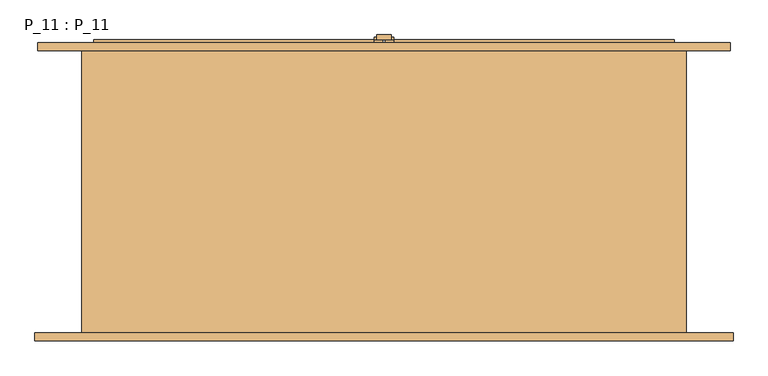
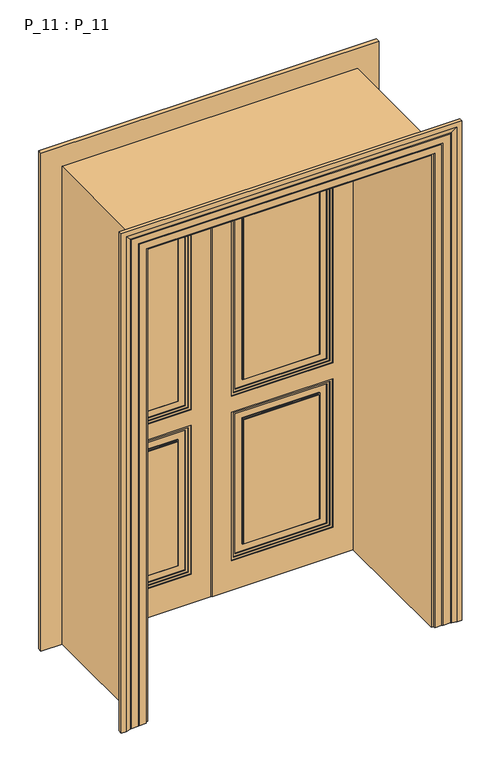
"""IFC4 building model written with IfcOpenShell, lengths in millimetres: door geometry, P_11 : P_11."""

from ifc_helpers import new_model, si_unit, frame, origin, origin_with_axes, place, context, project, spatial, polyline, outline, extrude, faceted_brep, source, transform, mapped, element, save


def p_11_p_11_feb7380e(model_context):
    return source(origin(), model_context, "Body", "SolidModel", [
        extrude(outline(polyline([(15.0, 312.0), (-15.0, 312.0), (-15.0, 322.0), (15.0, 322.0), (15.0, 312.0)])), origin_with_axes(), (0.0, 0.0, 1.0), 2100.0),
        extrude(outline(polyline([(20.0, 312.0), (15.0, 312.0), (15.0, 317.0), (20.0, 317.0), (20.0, 312.0)])), origin_with_axes(), (0.0, 0.0, 1.0), 2100.0),
        extrude(outline(polyline([(-15.0, 312.0), (-20.0, 312.0), (-20.0, 317.0), (-15.0, 317.0), (-15.0, 312.0)])), origin_with_axes(), (0.0, 0.0, 1.0), 2100.0),
        extrude(outline(polyline([(-455.0, 290.0), (-140.0, 290.0), (-140.0, 282.0), (-455.0, 282.0), (-455.0, 290.0)])), frame((0.0, 0.0, 185.0), z_axis=(0.0, 0.0, 1.0), x_axis=(1.0, 0.0, 0.0)), (0.0, 0.0, 1.0), 550.0),
        extrude(outline(polyline([(-455.0, 290.0), (-140.0, 290.0), (-140.0, 282.0), (-455.0, 282.0), (-455.0, 290.0)])), frame((0.0, 0.0, 915.0), z_axis=(0.0, 0.0, 1.0), x_axis=(1.0, 0.0, 0.0)), (0.0, 0.0, 1.0), 1040.0),
        extrude(outline(polyline([(780.0, -95.0), (780.0, -500.0), (140.0, -500.0), (140.0, -95.0), (780.0, -95.0)]), holes=[polyline([(770.0, -105.0), (150.0, -105.0), (150.0, -490.0), (770.0, -490.0), (770.0, -105.0)])]), frame((0.0, 286.0, 0.0), z_axis=(0.0, 1.0, 0.0), x_axis=(0.0, 0.0, 1.0)), (0.0, 0.0, 1.0), 4.0),
        extrude(outline(polyline([(740.0, -135.0), (740.0, -460.0), (180.0, -460.0), (180.0, -135.0), (740.0, -135.0)]), holes=[polyline([(735.0, -140.0), (185.0, -140.0), (185.0, -455.0), (735.0, -455.0), (735.0, -140.0)])]), frame((0.0, 286.0, 0.0), z_axis=(0.0, 1.0, 0.0), x_axis=(0.0, 0.0, 1.0)), (0.0, 0.0, 1.0), 4.0),
        extrude(outline(polyline([(910.0, -460.0), (910.0, -135.0), (1960.0, -135.0), (1960.0, -460.0), (910.0, -460.0)]), holes=[polyline([(1955.0, -140.0), (915.0, -140.0), (915.0, -455.0), (1955.0, -455.0), (1955.0, -140.0)])]), frame((0.0, 286.0, 0.0), z_axis=(0.0, 1.0, 0.0), x_axis=(0.0, 0.0, 1.0)), (0.0, 0.0, 1.0), 4.0),
        extrude(outline(polyline([(2000.0, -95.0), (2000.0, -500.0), (870.0, -500.0), (870.0, -95.0), (2000.0, -95.0)]), holes=[polyline([(1990.0, -105.0), (880.0, -105.0), (880.0, -490.0), (1990.0, -490.0), (1990.0, -105.0)])]), frame((0.0, 286.0, 0.0), z_axis=(0.0, 1.0, 0.0), x_axis=(0.0, 0.0, 1.0)), (0.0, 0.0, 1.0), 4.0),
        extrude(outline(polyline([(2010.0, -85.0), (2010.0, -510.0), (860.0, -510.0), (860.0, -85.0), (2010.0, -85.0)]), holes=[polyline([(2000.0, -95.0), (870.0, -95.0), (870.0, -500.0), (2000.0, -500.0), (2000.0, -95.0)])]), frame((0.0, 282.0, 0.0), z_axis=(0.0, 1.0, 0.0), x_axis=(0.0, 0.0, 1.0)), (0.0, 0.0, 1.0), 8.0),
        extrude(outline(polyline([(130.0, -510.0), (130.0, -85.0), (790.0, -85.0), (790.0, -510.0), (130.0, -510.0)]), holes=[polyline([(780.0, -95.0), (140.0, -95.0), (140.0, -500.0), (780.0, -500.0), (780.0, -95.0)])]), frame((0.0, 282.0, 0.0), z_axis=(0.0, 1.0, 0.0), x_axis=(0.0, 0.0, 1.0)), (0.0, 0.0, 1.0), 8.0),
        extrude(outline(polyline([(0.0, -595.0), (0.0, -2.5), (2095.0, -2.5), (2095.0, -595.0), (0.0, -595.0)]), holes=[polyline([(860.0, -85.0), (860.0, -510.0), (2010.0, -510.0), (2010.0, -85.0), (860.0, -85.0)]), polyline([(130.0, -85.0), (130.0, -510.0), (790.0, -510.0), (790.0, -85.0), (130.0, -85.0)])]), frame((0.0, 278.0, 0.0), z_axis=(0.0, 1.0, 0.0), x_axis=(0.0, 0.0, 1.0)), (0.0, 0.0, 1.0), 12.0),
        extrude(outline(polyline([(140.0, 290.0), (455.0, 290.0), (455.0, 282.0), (140.0, 282.0), (140.0, 290.0)])), frame((0.0, 0.0, 185.0), z_axis=(0.0, 0.0, 1.0), x_axis=(1.0, 0.0, 0.0)), (0.0, 0.0, 1.0), 550.0),
        extrude(outline(polyline([(140.0, 290.0), (455.0, 290.0), (455.0, 282.0), (140.0, 282.0), (140.0, 290.0)])), frame((0.0, 0.0, 915.0), z_axis=(0.0, 0.0, 1.0), x_axis=(1.0, 0.0, 0.0)), (0.0, 0.0, 1.0), 1040.0),
        extrude(outline(polyline([(2000.0, 95.0), (870.0, 95.0), (870.0, 500.0), (2000.0, 500.0), (2000.0, 95.0)]), holes=[polyline([(1990.0, 105.0), (1990.0, 490.0), (880.0, 490.0), (880.0, 105.0), (1990.0, 105.0)])]), frame((0.0, 286.0, 0.0), z_axis=(0.0, 1.0, 0.0), x_axis=(0.0, 0.0, 1.0)), (0.0, 0.0, 1.0), 4.0),
        extrude(outline(polyline([(1960.0, 135.0), (910.0, 135.0), (910.0, 460.0), (1960.0, 460.0), (1960.0, 135.0)]), holes=[polyline([(1955.0, 140.0), (1955.0, 455.0), (915.0, 455.0), (915.0, 140.0), (1955.0, 140.0)])]), frame((0.0, 286.0, 0.0), z_axis=(0.0, 1.0, 0.0), x_axis=(0.0, 0.0, 1.0)), (0.0, 0.0, 1.0), 4.0),
        extrude(outline(polyline([(780.0, 500.0), (780.0, 95.0), (140.0, 95.0), (140.0, 500.0), (780.0, 500.0)]), holes=[polyline([(770.0, 490.0), (150.0, 490.0), (150.0, 105.0), (770.0, 105.0), (770.0, 490.0)])]), frame((0.0, 286.0, 0.0), z_axis=(0.0, 1.0, 0.0), x_axis=(0.0, 0.0, 1.0)), (0.0, 0.0, 1.0), 4.0),
        extrude(outline(polyline([(740.0, 460.0), (740.0, 135.0), (180.0, 135.0), (180.0, 460.0), (740.0, 460.0)]), holes=[polyline([(735.0, 455.0), (185.0, 455.0), (185.0, 140.0), (735.0, 140.0), (735.0, 455.0)])]), frame((0.0, 286.0, 0.0), z_axis=(0.0, 1.0, 0.0), x_axis=(0.0, 0.0, 1.0)), (0.0, 0.0, 1.0), 4.0),
        extrude(outline(polyline([(130.0, 510.0), (790.0, 510.0), (790.0, 85.0), (130.0, 85.0), (130.0, 510.0)]), holes=[polyline([(780.0, 500.0), (140.0, 500.0), (140.0, 95.0), (780.0, 95.0), (780.0, 500.0)])]), frame((0.0, 282.0, 0.0), z_axis=(0.0, 1.0, 0.0), x_axis=(0.0, 0.0, 1.0)), (0.0, 0.0, 1.0), 8.0),
        extrude(outline(polyline([(2010.0, 85.0), (860.0, 85.0), (860.0, 510.0), (2010.0, 510.0), (2010.0, 85.0)]), holes=[polyline([(2000.0, 95.0), (2000.0, 500.0), (870.0, 500.0), (870.0, 95.0), (2000.0, 95.0)])]), frame((0.0, 282.0, 0.0), z_axis=(0.0, 1.0, 0.0), x_axis=(0.0, 0.0, 1.0)), (0.0, 0.0, 1.0), 8.0),
        extrude(outline(polyline([(0.0, 595.0), (2095.0, 595.0), (2095.0, 2.5), (0.0, 2.5), (0.0, 595.0)]), holes=[polyline([(130.0, 85.0), (790.0, 85.0), (790.0, 510.0), (130.0, 510.0), (130.0, 85.0)]), polyline([(860.0, 85.0), (2010.0, 85.0), (2010.0, 510.0), (860.0, 510.0), (860.0, 85.0)])]), frame((0.0, 278.0, 0.0), z_axis=(0.0, 1.0, 0.0), x_axis=(0.0, 0.0, 1.0)), (0.0, 0.0, 1.0), 12.0),
        extrude(outline(polyline([(-140.0, 300.0), (-455.0, 300.0), (-455.0, 308.0), (-140.0, 308.0), (-140.0, 300.0)])), frame((0.0, 0.0, 185.0), z_axis=(0.0, 0.0, 1.0), x_axis=(1.0, 0.0, 0.0)), (0.0, 0.0, 1.0), 550.0),
        extrude(outline(polyline([(-140.0, 300.0), (-455.0, 300.0), (-455.0, 308.0), (-140.0, 308.0), (-140.0, 300.0)])), frame((0.0, 0.0, 915.0), z_axis=(0.0, 0.0, 1.0), x_axis=(1.0, 0.0, 0.0)), (0.0, 0.0, 1.0), 1040.0),
        extrude(outline(polyline([(2000.0, -95.0), (2000.0, -500.0), (870.0, -500.0), (870.0, -95.0), (2000.0, -95.0)]), holes=[polyline([(1990.0, -105.0), (880.0, -105.0), (880.0, -490.0), (1990.0, -490.0), (1990.0, -105.0)])]), frame((0.0, 300.0, 0.0), z_axis=(0.0, 1.0, 0.0), x_axis=(0.0, 0.0, 1.0)), (0.0, 0.0, 1.0), 4.0),
        extrude(outline(polyline([(780.0, -95.0), (780.0, -500.0), (140.0, -500.0), (140.0, -95.0), (780.0, -95.0)]), holes=[polyline([(770.0, -105.0), (150.0, -105.0), (150.0, -490.0), (770.0, -490.0), (770.0, -105.0)])]), frame((0.0, 300.0, 0.0), z_axis=(0.0, 1.0, 0.0), x_axis=(0.0, 0.0, 1.0)), (0.0, 0.0, 1.0), 4.0),
        extrude(outline(polyline([(740.0, -135.0), (740.0, -460.0), (180.0, -460.0), (180.0, -135.0), (740.0, -135.0)]), holes=[polyline([(735.0, -140.0), (185.0, -140.0), (185.0, -455.0), (735.0, -455.0), (735.0, -140.0)])]), frame((0.0, 300.0, 0.0), z_axis=(0.0, 1.0, 0.0), x_axis=(0.0, 0.0, 1.0)), (0.0, 0.0, 1.0), 4.0),
        extrude(outline(polyline([(1960.0, -135.0), (1960.0, -460.0), (910.0, -460.0), (910.0, -135.0), (1960.0, -135.0)]), holes=[polyline([(1955.0, -140.0), (915.0, -140.0), (915.0, -455.0), (1955.0, -455.0), (1955.0, -140.0)])]), frame((0.0, 300.0, 0.0), z_axis=(0.0, 1.0, 0.0), x_axis=(0.0, 0.0, 1.0)), (0.0, 0.0, 1.0), 4.0),
        extrude(outline(polyline([(860.0, -85.0), (2010.0, -85.0), (2010.0, -510.0), (860.0, -510.0), (860.0, -85.0)]), holes=[polyline([(2000.0, -95.0), (870.0, -95.0), (870.0, -500.0), (2000.0, -500.0), (2000.0, -95.0)])]), frame((0.0, 300.0, 0.0), z_axis=(0.0, 1.0, 0.0), x_axis=(0.0, 0.0, 1.0)), (0.0, 0.0, 1.0), 8.0),
        extrude(outline(polyline([(130.0, -510.0), (130.0, -85.0), (790.0, -85.0), (790.0, -510.0), (130.0, -510.0)]), holes=[polyline([(780.0, -95.0), (140.0, -95.0), (140.0, -500.0), (780.0, -500.0), (780.0, -95.0)])]), frame((0.0, 300.0, 0.0), z_axis=(0.0, 1.0, 0.0), x_axis=(0.0, 0.0, 1.0)), (0.0, 0.0, 1.0), 8.0),
        extrude(outline(polyline([(0.0, -595.0), (0.0, -2.5), (2095.0, -2.5), (2095.0, -595.0), (0.0, -595.0)]), holes=[polyline([(860.0, -85.0), (860.0, -510.0), (2010.0, -510.0), (2010.0, -85.0), (860.0, -85.0)]), polyline([(130.0, -85.0), (130.0, -510.0), (790.0, -510.0), (790.0, -85.0), (130.0, -85.0)])]), frame((0.0, 300.0, 0.0), z_axis=(0.0, 1.0, 0.0), x_axis=(0.0, 0.0, 1.0)), (0.0, 0.0, 1.0), 12.0),
        extrude(outline(polyline([(0.0, -600.0), (0.0, -595.0), (2095.0, -595.0), (2095.0, -2.5), (2100.0, -2.5), (2100.0, -600.0), (0.0, -600.0)])), frame((0.0, 300.0, 0.0), z_axis=(0.0, 1.0, 0.0), x_axis=(0.0, 0.0, 1.0)), (0.0, 0.0, 1.0), 5.0),
        extrude(outline(polyline([(-2.5, 290.0), (-600.0, 290.0), (-600.0, 300.0), (-2.5, 300.0), (-2.5, 290.0)])), origin_with_axes(), (0.0, 0.0, 1.0), 2100.0),
        extrude(outline(polyline([(600.0, 290.0), (2.5, 290.0), (2.5, 300.0), (600.0, 300.0), (600.0, 290.0)])), origin_with_axes(), (0.0, 0.0, 1.0), 2100.0),
        extrude(outline(polyline([(455.0, 300.0), (140.0, 300.0), (140.0, 308.0), (455.0, 308.0), (455.0, 300.0)])), frame((0.0, 0.0, 185.0), z_axis=(0.0, 0.0, 1.0), x_axis=(1.0, 0.0, 0.0)), (0.0, 0.0, 1.0), 550.0),
        extrude(outline(polyline([(455.0, 300.0), (140.0, 300.0), (140.0, 308.0), (455.0, 308.0), (455.0, 300.0)])), frame((0.0, 0.0, 915.0), z_axis=(0.0, 0.0, 1.0), x_axis=(1.0, 0.0, 0.0)), (0.0, 0.0, 1.0), 1040.0),
        extrude(outline(polyline([(780.0, 95.0), (140.0, 95.0), (140.0, 500.0), (780.0, 500.0), (780.0, 95.0)]), holes=[polyline([(770.0, 105.0), (770.0, 490.0), (150.0, 490.0), (150.0, 105.0), (770.0, 105.0)])]), frame((0.0, 300.0, 0.0), z_axis=(0.0, 1.0, 0.0), x_axis=(0.0, 0.0, 1.0)), (0.0, 0.0, 1.0), 4.0),
        extrude(outline(polyline([(740.0, 135.0), (180.0, 135.0), (180.0, 460.0), (740.0, 460.0), (740.0, 135.0)]), holes=[polyline([(735.0, 140.0), (735.0, 455.0), (185.0, 455.0), (185.0, 140.0), (735.0, 140.0)])]), frame((0.0, 300.0, 0.0), z_axis=(0.0, 1.0, 0.0), x_axis=(0.0, 0.0, 1.0)), (0.0, 0.0, 1.0), 4.0),
        extrude(outline(polyline([(910.0, 460.0), (1960.0, 460.0), (1960.0, 135.0), (910.0, 135.0), (910.0, 460.0)]), holes=[polyline([(1955.0, 140.0), (1955.0, 455.0), (915.0, 455.0), (915.0, 140.0), (1955.0, 140.0)])]), frame((0.0, 300.0, 0.0), z_axis=(0.0, 1.0, 0.0), x_axis=(0.0, 0.0, 1.0)), (0.0, 0.0, 1.0), 4.0),
        extrude(outline(polyline([(2000.0, 95.0), (870.0, 95.0), (870.0, 500.0), (2000.0, 500.0), (2000.0, 95.0)]), holes=[polyline([(1990.0, 105.0), (1990.0, 490.0), (880.0, 490.0), (880.0, 105.0), (1990.0, 105.0)])]), frame((0.0, 300.0, 0.0), z_axis=(0.0, 1.0, 0.0), x_axis=(0.0, 0.0, 1.0)), (0.0, 0.0, 1.0), 4.0),
        extrude(outline(polyline([(2010.0, 85.0), (860.0, 85.0), (860.0, 510.0), (2010.0, 510.0), (2010.0, 85.0)]), holes=[polyline([(2000.0, 95.0), (2000.0, 500.0), (870.0, 500.0), (870.0, 95.0), (2000.0, 95.0)])]), frame((0.0, 300.0, 0.0), z_axis=(0.0, 1.0, 0.0), x_axis=(0.0, 0.0, 1.0)), (0.0, 0.0, 1.0), 8.0),
        extrude(outline(polyline([(130.0, 510.0), (790.0, 510.0), (790.0, 85.0), (130.0, 85.0), (130.0, 510.0)]), holes=[polyline([(780.0, 95.0), (780.0, 500.0), (140.0, 500.0), (140.0, 95.0), (780.0, 95.0)])]), frame((0.0, 300.0, 0.0), z_axis=(0.0, 1.0, 0.0), x_axis=(0.0, 0.0, 1.0)), (0.0, 0.0, 1.0), 8.0),
        faceted_brep([(600.0, 300.0, 0.0), (600.0, 300.0, 2100.0), (2.5, 300.0, 2100.0), (2.5, 300.0, 0.0), (85.0, 300.0, 860.0), (85.0, 300.0, 2010.0), (510.0, 300.0, 2010.0), (510.0, 300.0, 860.0), (85.0, 300.0, 130.0), (85.0, 300.0, 790.0), (510.0, 300.0, 790.0), (510.0, 300.0, 130.0), (85.0, 312.0, 860.0), (85.0, 312.0, 2010.0), (510.0, 312.0, 2010.0), (510.0, 312.0, 860.0), (85.0, 312.0, 130.0), (85.0, 312.0, 790.0), (510.0, 312.0, 790.0), (510.0, 312.0, 130.0), (600.0, 305.0, 0.0), (600.0, 305.0, 2100.0), (2.5, 305.0, 2100.0), (2.5, 305.0, 2095.0), (2.5, 312.0, 2095.0), (2.5, 312.0, 0.0), (595.0, 312.0, 0.0), (595.0, 305.0, 0.0), (595.0, 312.0, 2095.0), (595.0, 305.0, 2095.0)], [[[0, 1, 2, 3], [4, 5, 6, 7], [8, 9, 10, 11]], [[5, 4, 12, 13]], [[7, 6, 14, 15]], [[4, 7, 15, 12]], [[9, 8, 16, 17]], [[10, 9, 17, 18]], [[11, 10, 18, 19]], [[8, 11, 19, 16]], [[0, 20, 21, 1]], [[3, 2, 22, 23, 24, 25]], [[0, 3, 25, 26, 27, 20]], [[26, 25, 24, 28], [12, 15, 14, 13], [16, 19, 18, 17]], [[26, 28, 29, 27]], [[20, 27, 29, 23, 22, 21]], [[1, 21, 22, 2]], [[6, 5, 13, 14]], [[28, 24, 23, 29]]]),
        faceted_brep([(710.0, 290.0, 0.0), (620.0, 290.0, 0.0), (620.0, -290.0, 0.0), (716.0, -290.0, 0.0), (716.0, -306.0, 0.0), (696.0, -306.0, 0.0), (676.0, -302.0291126, 0.0), (676.0, -301.0291126, 0.0), (671.0, -301.0291126, 0.0), (671.0, -300.0291126, 0.0), (641.0, -300.0291126, 0.0), (641.0, -299.0291126, 0.0), (636.0, -299.0291126, 0.0), (636.0, -298.0291126, 0.0), (606.0, -298.0291126, 0.0), (606.0, -290.0, 0.0), (596.0, -290.0, 0.0), (596.0, 290.0, 0.0), (606.0, 290.0, 0.0), (606.0, 298.0291126, 0.0), (636.0, 298.0291126, 0.0), (636.0, 299.0291126, 0.0), (641.0, 299.0291126, 0.0), (641.0, 300.0291126, 0.0), (665.0, 300.0291126, 0.0), (665.0, 301.0291126, 0.0), (670.0, 301.0291126, 0.0), (670.0, 302.0291126, 0.0), (690.0, 306.0, 0.0), (710.0, 306.0, 0.0), (710.0, 290.0, 2210.0), (-710.0, 290.0, 2210.0), (-710.0, 290.0, 0.0), (-620.0, 290.0, 0.0), (-620.0, 290.0, 2120.0), (620.0, 290.0, 2120.0), (620.0, -290.0, 2120.0), (-620.0, -290.0, 2120.0), (-620.0, -290.0, 0.0), (-716.0, -290.0, 0.0), (-716.0, -290.0, 2216.0), (716.0, -290.0, 2216.0), (716.0, -306.0, 2216.0), (-716.0, -306.0, 2216.0), (-716.0, -306.0, 0.0), (-696.0, -306.0, 0.0), (-696.0, -306.0, 2196.0), (696.0, -306.0, 2196.0), (676.0, -302.0291126, 2176.0), (676.0, -301.0291126, 2176.0), (-676.0, -301.0291126, 2176.0), (-676.0, -301.0291126, 0.0), (-671.0, -301.0291126, 0.0), (-671.0, -301.0291126, 2171.0), (671.0, -301.0291126, 2171.0), (671.0, -300.0291126, 2171.0), (-671.0, -300.0291126, 2171.0), (-671.0, -300.0291126, 0.0), (-641.0, -300.0291126, 0.0), (-641.0, -300.0291126, 2141.0), (641.0, -300.0291126, 2141.0), (641.0, -299.0291126, 2141.0), (-641.0, -299.0291126, 2141.0), (-641.0, -299.0291126, 0.0), (-636.0, -299.0291126, 0.0), (-636.0, -299.0291126, 2136.0), (636.0, -299.0291126, 2136.0), (636.0, -298.0291126, 2136.0), (-636.0, -298.0291126, 2136.0), (-636.0, -298.0291126, 0.0), (-606.0, -298.0291126, 0.0), (-606.0, -298.0291126, 2106.0), (606.0, -298.0291126, 2106.0), (606.0, -290.0, 2106.0), (-606.0, -290.0, 2106.0), (-606.0, -290.0, 0.0), (-596.0, -290.0, 0.0), (-596.0, -290.0, 2096.0), (596.0, -290.0, 2096.0), (596.0, 290.0, 2096.0), (-596.0, 290.0, 2096.0), (-596.0, 290.0, 0.0), (-606.0, 290.0, 0.0), (-606.0, 290.0, 2106.0), (606.0, 290.0, 2106.0), (606.0, 298.0291126, 2106.0), (-606.0, 298.0291126, 2106.0), (-606.0, 298.0291126, 0.0), (-636.0, 298.0291126, 0.0), (-636.0, 298.0291126, 2136.0), (636.0, 298.0291126, 2136.0), (636.0, 299.0291126, 2136.0), (-636.0, 299.0291126, 2136.0), (-636.0, 299.0291126, 0.0), (-641.0, 299.0291126, 0.0), (-641.0, 299.0291126, 2141.0), (641.0, 299.0291126, 2141.0), (641.0, 300.0291126, 2141.0), (-641.0, 300.0291126, 2141.0), (-641.0, 300.0291126, 0.0), (-665.0, 300.0291126, 0.0), (-665.0, 300.0291126, 2165.0), (665.0, 300.0291126, 2165.0), (665.0, 301.0291126, 2165.0), (-665.0, 301.0291126, 2165.0), (-665.0, 301.0291126, 0.0), (-670.0, 301.0291126, 0.0), (-670.0, 301.0291126, 2170.0), (670.0, 301.0291126, 2170.0), (670.0, 302.0291126, 2170.0), (690.0, 306.0, 2190.0), (-690.0, 306.0, 2190.0), (-690.0, 306.0, 0.0), (-710.0, 306.0, 0.0), (-710.0, 306.0, 2210.0), (710.0, 306.0, 2210.0), (-670.0, 302.0291126, 0.0), (-676.0, -302.0291126, 0.0), (-670.0, 302.0291126, 2170.0), (-676.0, -302.0291126, 2176.0)], [[[0, 1, 2, 3, 4, 5, 6, 7, 8, 9, 10, 11, 12, 13, 14, 15, 16, 17, 18, 19, 20, 21, 22, 23, 24, 25, 26, 27, 28, 29]], [[1, 0, 30, 31, 32, 33, 34, 35]], [[2, 1, 35, 36]], [[3, 2, 36, 37, 38, 39, 40, 41]], [[4, 3, 41, 42]], [[5, 4, 42, 43, 44, 45, 46, 47]], [[6, 5, 47, 48]], [[7, 6, 48, 49]], [[8, 7, 49, 50, 51, 52, 53, 54]], [[9, 8, 54, 55]], [[10, 9, 55, 56, 57, 58, 59, 60]], [[11, 10, 60, 61]], [[12, 11, 61, 62, 63, 64, 65, 66]], [[13, 12, 66, 67]], [[14, 13, 67, 68, 69, 70, 71, 72]], [[15, 14, 72, 73]], [[16, 15, 73, 74, 75, 76, 77, 78]], [[17, 16, 78, 79]], [[18, 17, 79, 80, 81, 82, 83, 84]], [[19, 18, 84, 85]], [[20, 19, 85, 86, 87, 88, 89, 90]], [[21, 20, 90, 91]], [[22, 21, 91, 92, 93, 94, 95, 96]], [[23, 22, 96, 97]], [[24, 23, 97, 98, 99, 100, 101, 102]], [[25, 24, 102, 103]], [[26, 25, 103, 104, 105, 106, 107, 108]], [[27, 26, 108, 109]], [[28, 27, 109, 110]], [[29, 28, 110, 111, 112, 113, 114, 115]], [[0, 29, 115, 30]], [[31, 114, 113, 32]], [[32, 113, 112, 116, 106, 105, 100, 99, 94, 93, 88, 87, 82, 81, 76, 75, 70, 69, 64, 63, 58, 57, 52, 51, 117, 45, 44, 39, 38, 33]], [[37, 34, 33, 38]], [[74, 71, 70, 75]], [[80, 77, 76, 81]], [[86, 83, 82, 87]], [[111, 118, 116, 112]], [[118, 107, 106, 116]], [[104, 101, 100, 105]], [[98, 95, 94, 99]], [[92, 89, 88, 93]], [[68, 65, 64, 69]], [[62, 59, 58, 63]], [[56, 53, 52, 57]], [[50, 119, 117, 51]], [[119, 46, 45, 117]], [[43, 40, 39, 44]], [[36, 35, 34, 37]], [[79, 78, 77, 80]], [[85, 84, 83, 86]], [[30, 115, 114, 31]], [[91, 90, 89, 92]], [[97, 96, 95, 98]], [[103, 102, 101, 104]], [[109, 108, 107, 118]], [[110, 109, 118, 111]], [[42, 41, 40, 43]], [[48, 47, 46, 119]], [[49, 48, 119, 50]], [[55, 54, 53, 56]], [[61, 60, 59, 62]], [[67, 66, 65, 68]], [[73, 72, 71, 74]]]),
        extrude(outline(polyline([(2.5, 312.0), (20.0, 312.0), (20.0, 305.0), (2.5, 305.0), (2.5, 312.0)])), frame((0.0, 0.0, 2095.0), z_axis=(0.0, 0.0, 1.0), x_axis=(1.0, 0.0, 0.0)), (0.0, 0.0, 1.0), 5.0),
        extrude(outline(polyline([(-2.5, 312.0), (-2.5, 305.0), (-20.0, 305.0), (-20.0, 312.0), (-2.5, 312.0)])), frame((0.0, 0.0, 2095.0), z_axis=(0.0, 0.0, 1.0), x_axis=(1.0, 0.0, 0.0)), (0.0, 0.0, 1.0), 5.0),
    ])


if __name__ == "__main__":
    model = new_model("IFC4")
    model_context = context("Model", 3, world=origin())
    ifc_project = project(units=[si_unit("LENGTHUNIT", "METRE", prefix="MILLI")], contexts=[model_context])
    site = spatial("IfcSite", under=ifc_project)
    building = spatial("IfcBuilding", under=site)
    placement = place(None, origin())
    p_11_p_11_shape = p_11_p_11_feb7380e(model_context)
    element("IfcDoor", 1, ObjectType="P_11 : P_11", at=placement, inside=building, context=model_context, shape_type="MappedRepresentation", body=[
        mapped(p_11_p_11_shape, transform((0.0, 0.0, 0.0), x_axis=(1.0, 0.0, 0.0), y_axis=(0.0, 1.0, 0.0), z_axis=(0.0, 0.0, 1.0))),
    ])
    save(model, "model.ifc")
